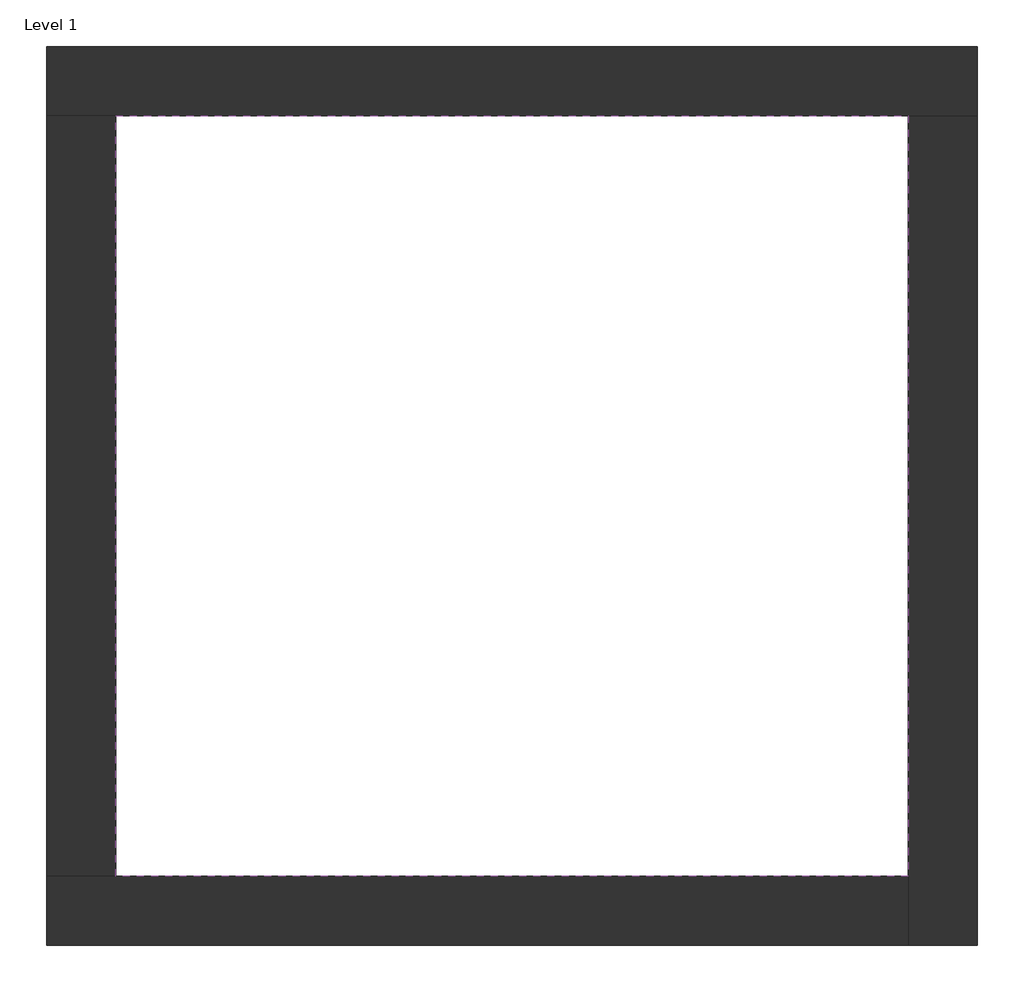
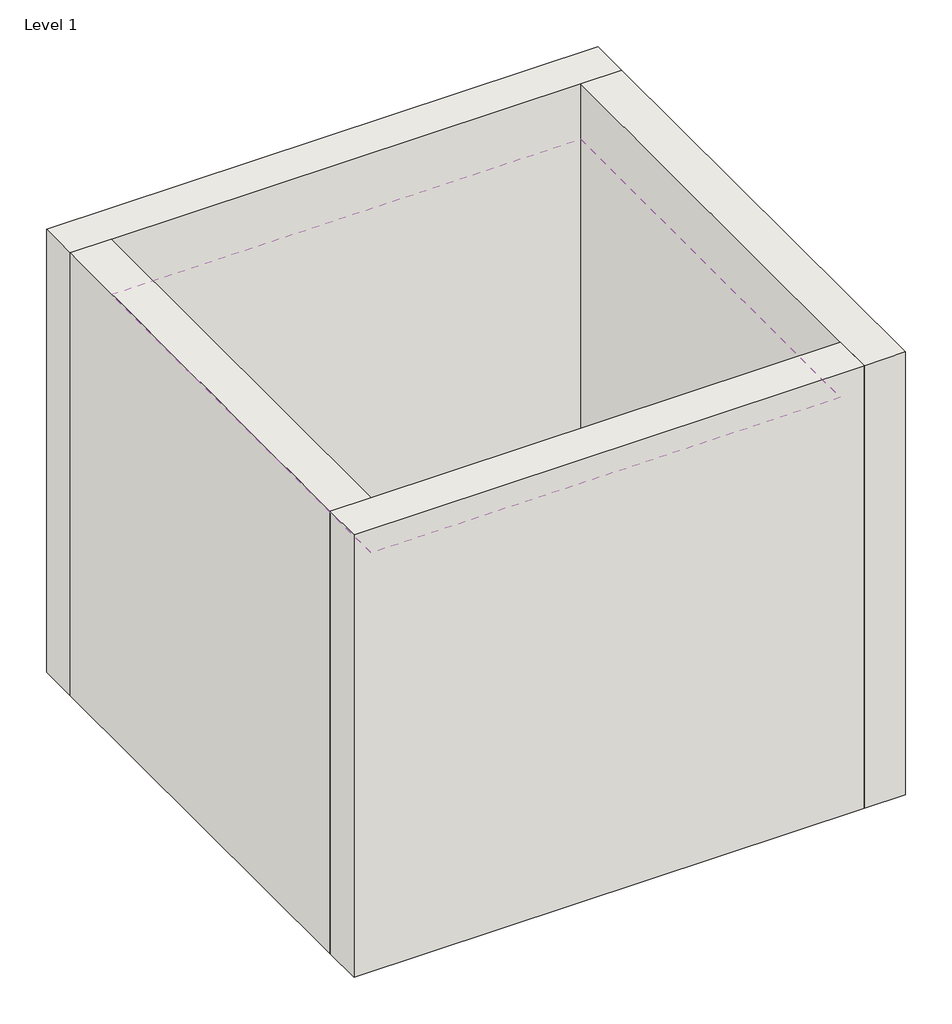
# One storey: 4 walls, 1 covering.
"""IFC4 building model written with IfcOpenShell, lengths in millimetres."""

from ifc_helpers import new_model, si_unit, frame, origin, origin_with_axes, place, context, project, spatial, polyline, outline, extrude, faceted_brep, element, save

model = new_model("IFC4")

# Units and contexts
model_context = context("Model", 3, world=origin())
ifc_project = project(units=[si_unit("LENGTHUNIT", "METRE", prefix="MILLI")], contexts=[model_context])

# Site, building, storey
site = spatial("IfcSite", under=ifc_project)
building = spatial("IfcBuilding", under=site)
storey = spatial("IfcBuildingStorey", under=building, Name="Level 1", Elevation=0.0)

# Covering
placement = place(None, origin())
element("IfcCovering", 1, at=placement, inside=storey, context=model_context, shape_type="SweptSolid", body=[
    extrude(outline(polyline([(-14894.8573003, 6921.2750283), (-10882.3573003, 6921.2750283), (-10882.3573003, 3071.2750283), (-14894.8573003, 3071.2750283), (-14894.8573003, 6921.2750283)])), frame((0.0, 0.0, 3500.0), z_axis=(0.0, 0.0, 1.0), x_axis=(1.0, 0.0, 0.0)), (0.0, 0.0, 1.0), 64.7),
])

# Walls
element("IfcWall", 2, ObjectType="Exterior - Brick on Mtl. Stud", at=placement, inside=storey, context=model_context, shape_type="Brep", body=[
    faceted_brep([(-15244.8573003, 6921.2750283, 0.0), (-14894.8573003, 6921.2750283, 0.0), (-10882.3573003, 6921.2750283, 0.0), (-10532.3573003, 6921.2750283, 0.0), (-10532.3573003, 6921.2750283, 4000.0), (-10882.3573003, 6921.2750283, 4000.0), (-14894.8573003, 6921.2750283, 4000.0), (-15244.8573003, 6921.2750283, 4000.0), (-15244.8573003, 7271.2750283, 0.0), (-15244.8573003, 7271.2750283, 4000.0), (-10532.3573003, 7271.2750283, 4000.0), (-10532.3573003, 7271.2750283, 0.0)], [[[0, 1, 2, 3, 4, 5, 6, 7]], [[8, 9, 10, 11]], [[3, 2, 1, 0, 8, 11]], [[7, 6, 5, 4, 10, 9]], [[0, 7, 9, 8]], [[4, 3, 11, 10]]]),
])
element("IfcWall", 3, ObjectType="Exterior - Brick on Mtl. Stud", at=placement, inside=storey, context=model_context, shape_type="Brep", body=[
    faceted_brep([(-10882.3573003, 6921.2750283, 0.0), (-10882.3573003, 3071.2750283, 0.0), (-10882.3573003, 2721.2750283, 0.0), (-10882.3573003, 2721.2750283, 4000.0), (-10882.3573003, 3071.2750283, 4000.0), (-10882.3573003, 6921.2750283, 4000.0), (-10532.3573003, 6921.2750283, 0.0), (-10532.3573003, 6921.2750283, 4000.0), (-10532.3573003, 2721.2750283, 4000.0), (-10532.3573003, 2721.2750283, 0.0)], [[[0, 1, 2, 3, 4, 5]], [[6, 7, 8, 9]], [[2, 1, 0, 6, 9]], [[5, 4, 3, 8, 7]], [[3, 2, 9, 8]], [[0, 5, 7, 6]]]),
])
element("IfcWall", 4, ObjectType="Exterior - Brick on Mtl. Stud", at=placement, inside=storey, context=model_context, shape_type="Brep", body=[
    faceted_brep([(-10882.3573003, 3071.2750283, 0.0), (-14894.8573003, 3071.2750283, 0.0), (-15244.8573003, 3071.2750283, 0.0), (-15244.8573003, 3071.2750283, 4000.0), (-14894.8573003, 3071.2750283, 4000.0), (-10882.3573003, 3071.2750283, 4000.0), (-10882.3573003, 2721.2750283, 0.0), (-10882.3573003, 2721.2750283, 4000.0), (-15244.8573003, 2721.2750283, 4000.0), (-15244.8573003, 2721.2750283, 0.0)], [[[0, 1, 2, 3, 4, 5]], [[6, 7, 8, 9]], [[2, 1, 0, 6, 9]], [[5, 4, 3, 8, 7]], [[3, 2, 9, 8]], [[0, 5, 7, 6]]]),
])
element("IfcWall", 5, ObjectType="Exterior - Brick on Mtl. Stud", at=placement, inside=storey, context=model_context, shape_type="SweptSolid", body=[
    extrude(outline(polyline([(-14894.8573003, 6921.2750283), (-14894.8573003, 3071.2750283), (-15244.8573003, 3071.2750283), (-15244.8573003, 6921.2750283), (-14894.8573003, 6921.2750283)])), origin_with_axes(), (0.0, 0.0, 1.0), 4000.0),
])

save(model, "model.ifc")
